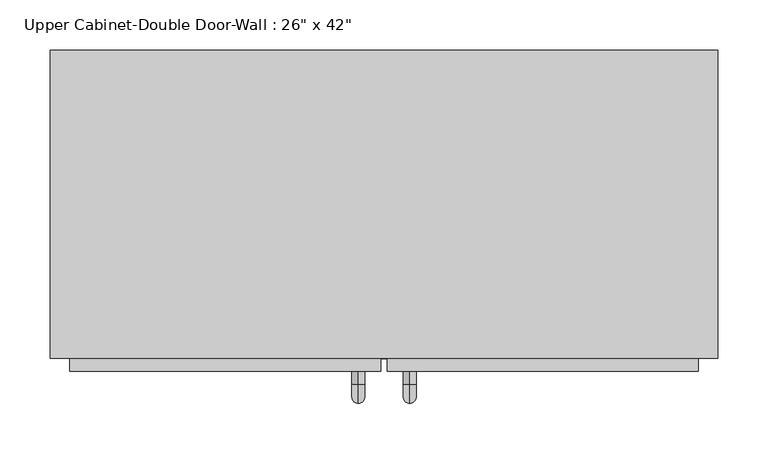
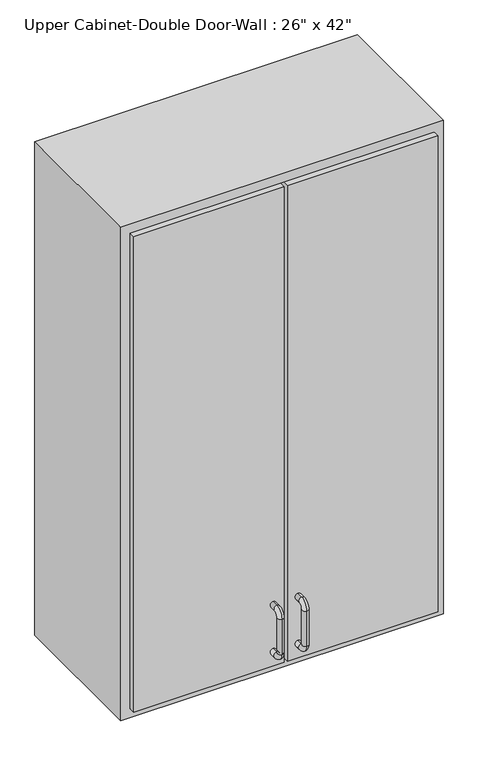
"""IFC4 building model written with IfcOpenShell, lengths in millimetres: furniture geometry."""

from ifc_helpers import new_model, si_unit, point, frame, origin, place, context, project, spatial, polyline, circle_curve, ellipse_curve, trimmed, outline, extrude, faceted_brep, source, transform, mapped, element, save
from ifc_brep_helpers import plane_surface, cylinder_surface, revolved_surface, advanced_brep


def furniture_07874962(model_context):
    return source(origin(), model_context, "Body", "SolidModel", [
        faceted_brep([(-300.4288372, -61.9125, 2133.6), (359.9711628, -61.9125, 2133.6), (359.9711628, -61.9125, 1066.8), (-300.4288372, -61.9125, 1066.8), (-300.4288372, -366.7125, 2133.6), (-300.4288372, -366.7125, 1066.8), (359.9711628, -366.7125, 1066.8), (359.9711628, -366.7125, 2133.6), (-281.3788372, -366.7125, 2114.55), (340.9211628, -366.7125, 2114.55), (340.9211628, -366.7125, 1085.85), (-281.3788372, -366.7125, 1085.85), (-281.3788372, -80.9625, 2114.55), (340.9211628, -80.9625, 2114.55), (340.9211628, -80.9625, 1085.85), (-281.3788372, -80.9625, 1085.85)], [[[0, 1, 2, 3]], [[4, 5, 6, 7], [8, 9, 10, 11]], [[3, 5, 4, 0]], [[2, 6, 5, 3]], [[1, 7, 6, 2]], [[0, 4, 7, 1]], [[8, 12, 13, 9]], [[9, 13, 14, 10]], [[10, 14, 15, 11]], [[11, 15, 12, 8]], [[12, 15, 14, 13]]]),
        advanced_brep(
        [(55.1711628, -379.4125, 1212.85), (55.1711628, -379.4125, 1225.55), (55.1711628, -392.1125, 1225.55), (55.1711628, -392.1125, 1212.85), (55.1711628, -411.1625, 1206.5), (55.1711628, -398.4625, 1206.5), (55.1711628, -411.1625, 1130.3), (55.1711628, -398.4625, 1130.3), (55.1711628, -392.1125, 1111.25), (55.1711628, -392.1125, 1123.95), (55.1711628, -379.4125, 1123.95), (55.1711628, -379.4125, 1111.25)],
        [
            (0, 1, circle_curve(frame((55.1711628, -379.4125, 1219.2), z_axis=(0.0, 1.0, 0.0), x_axis=(0.0, 0.0, -1.0)), 6.35)),
            (1, 0, circle_curve(frame((55.1711628, -379.4125, 1219.2), z_axis=(0.0, 1.0, 0.0), x_axis=(0.0, 0.0, -1.0)), 6.35)),
            (1, 2),
            (2, 3, circle_curve(frame((55.1711628, -392.1125, 1219.2), z_axis=(0.0, 1.0, 0.0), x_axis=(0.0, 0.0, -1.0)), 6.35)),
            (3, 0),
            (3, 2, circle_curve(frame((55.1711628, -392.1125, 1219.2), z_axis=(0.0, 1.0, 0.0), x_axis=(0.0, 0.0, -1.0)), 6.35)),
            (4, 5, circle_curve(frame((55.1711628, -404.8125, 1206.5), z_axis=(0.0, 0.0, 1.0), x_axis=(0.0, 1.0, 0.0)), 6.35)),
            (5, 3, circle_curve(frame((55.1711628, -392.1125, 1206.5), z_axis=(-1.0, 0.0, 0.0), x_axis=(0.0, 0.0, 1.0)), 6.35)),
            (2, 4, circle_curve(frame((55.1711628, -392.1125, 1206.5), z_axis=(1.0, 0.0, 0.0), x_axis=(0.0, 0.0, 1.0)), 19.05)),
            (5, 4, circle_curve(frame((55.1711628, -404.8125, 1206.5), z_axis=(0.0, 0.0, 1.0), x_axis=(0.0, 1.0, 0.0)), 6.35)),
            (4, 6),
            (6, 7, circle_curve(frame((55.1711628, -404.8125, 1130.3), z_axis=(0.0, 0.0, 1.0), x_axis=(0.0, 1.0, 0.0)), 6.35)),
            (7, 5),
            (7, 6, circle_curve(frame((55.1711628, -404.8125, 1130.3), z_axis=(0.0, 0.0, 1.0), x_axis=(0.0, 1.0, 0.0)), 6.35)),
            (8, 9, circle_curve(frame((55.1711628, -392.1125, 1117.6), z_axis=(0.0, -1.0, 0.0), x_axis=(0.0, 0.0, 1.0)), 6.35)),
            (9, 7, circle_curve(frame((55.1711628, -392.1125, 1130.3), z_axis=(-1.0, 0.0, 0.0), x_axis=(0.0, -1.0, 0.0)), 6.35)),
            (6, 8, circle_curve(frame((55.1711628, -392.1125, 1130.3), z_axis=(1.0, 0.0, 0.0), x_axis=(0.0, -1.0, 0.0)), 19.05)),
            (9, 8, circle_curve(frame((55.1711628, -392.1125, 1117.6), z_axis=(0.0, -1.0, 0.0), x_axis=(0.0, 0.0, 1.0)), 6.35)),
            (10, 11, circle_curve(frame((55.1711628, -379.4125, 1117.6), z_axis=(0.0, 1.0, 0.0), x_axis=(0.0, 0.0, 1.0)), 6.35)),
            (11, 10, circle_curve(frame((55.1711628, -379.4125, 1117.6), z_axis=(0.0, 1.0, 0.0), x_axis=(0.0, 0.0, 1.0)), 6.35)),
            (8, 11),
            (10, 9),
        ],
        [
            plane_surface(frame((48.8211628, -379.4125, 1219.2), z_axis=(0.0, 1.0, 0.0), x_axis=(0.0, 0.0, 1.0))),
            cylinder_surface(frame((55.1711628, -379.4125, 1219.2), z_axis=(0.0, 1.0, 0.0), x_axis=(0.0, 0.0, -1.0)), 6.35),
            revolved_surface(trimmed(ellipse_curve(frame((55.1711628, -392.1125, 1219.2), z_axis=(0.0, -1.0, 0.0), x_axis=(0.0, 0.0, -1.0)), 6.35, 6.35), [point((55.1711628, -392.1125, 1212.85))], [point((55.1711628, -392.1125, 1225.55))], True, "CARTESIAN"), (55.1711628, -392.1125, 1206.5), (-1.0, 0.0, 0.0)),
            revolved_surface(trimmed(ellipse_curve(frame((55.1711628, -392.1125, 1219.2), z_axis=(0.0, -1.0, 0.0), x_axis=(0.0, 0.0, -1.0)), 6.35, 6.35), [point((55.1711628, -392.1125, 1225.55))], [point((55.1711628, -392.1125, 1212.85))], True, "CARTESIAN"), (55.1711628, -392.1125, 1206.5), (-1.0, 0.0, 0.0)),
            cylinder_surface(frame((55.1711628, -404.8125, 1206.5), z_axis=(0.0, 0.0, 1.0), x_axis=(0.0, 1.0, 0.0)), 6.35),
            revolved_surface(trimmed(ellipse_curve(frame((55.1711628, -404.8125, 1130.3), z_axis=(0.0, 0.0, -1.0), x_axis=(0.0, 1.0, 0.0)), 6.35, 6.35), [point((55.1711628, -398.4625, 1130.3))], [point((55.1711628, -411.1625, 1130.3))], True, "CARTESIAN"), (55.1711628, -392.1125, 1130.3), (-1.0, 0.0, 0.0)),
            revolved_surface(trimmed(ellipse_curve(frame((55.1711628, -404.8125, 1130.3), z_axis=(0.0, 0.0, -1.0), x_axis=(0.0, 1.0, 0.0)), 6.35, 6.35), [point((55.1711628, -411.1625, 1130.3))], [point((55.1711628, -398.4625, 1130.3))], True, "CARTESIAN"), (55.1711628, -392.1125, 1130.3), (-1.0, 0.0, 0.0)),
            plane_surface(frame((48.8211628, -379.4125, 1117.6), z_axis=(0.0, 1.0, 0.0), x_axis=(0.0, 0.0, -1.0))),
            cylinder_surface(frame((55.1711628, -392.1125, 1117.6), z_axis=(0.0, -1.0, 0.0), x_axis=(0.0, 0.0, 1.0)), 6.35),
        ],
        [
            (0, [[1, 2]]),
            (1, [[3, 4, 5, -2]]),
            (1, [[-5, 6, -3, -1]]),
            (2, [[7, 8, -4, 9]]),
            (3, [[10, -9, -6, -8]]),
            (4, [[11, 12, 13, -7]]),
            (4, [[-13, 14, -11, -10]]),
            (5, [[15, 16, -12, 17]]),
            (6, [[18, -17, -14, -16]]),
            (7, [[19, 20]]),
            (8, [[21, -19, 22, -15]]),
            (8, [[-22, -20, -21, -18]]),
        ],
    ),
        advanced_brep(
        [(4.3711628, -379.4125, 1212.85), (4.3711628, -379.4125, 1225.55), (4.3711628, -392.1125, 1225.55), (4.3711628, -392.1125, 1212.85), (4.3711628, -411.1625, 1206.5), (4.3711628, -398.4625, 1206.5), (4.3711628, -411.1625, 1130.3), (4.3711628, -398.4625, 1130.3), (4.3711628, -392.1125, 1111.25), (4.3711628, -392.1125, 1123.95), (4.3711628, -379.4125, 1123.95), (4.3711628, -379.4125, 1111.25)],
        [
            (0, 1, circle_curve(frame((4.3711628, -379.4125, 1219.2), z_axis=(0.0, 1.0, 0.0), x_axis=(0.0, 0.0, 1.0)), 6.35)),
            (1, 0, circle_curve(frame((4.3711628, -379.4125, 1219.2), z_axis=(0.0, 1.0, 0.0), x_axis=(0.0, 0.0, 1.0)), 6.35)),
            (1, 2),
            (2, 3, circle_curve(frame((4.3711628, -392.1125, 1219.2), z_axis=(0.0, 1.0, 0.0), x_axis=(0.0, 0.0, 1.0)), 6.35)),
            (3, 0),
            (3, 2, circle_curve(frame((4.3711628, -392.1125, 1219.2), z_axis=(0.0, 1.0, 0.0), x_axis=(0.0, 0.0, 1.0)), 6.35)),
            (4, 5, circle_curve(frame((4.3711628, -404.8125, 1206.5), z_axis=(0.0, 0.0, 1.0), x_axis=(0.0, -1.0, 0.0)), 6.35)),
            (5, 3, circle_curve(frame((4.3711628, -392.1125, 1206.5), z_axis=(-1.0, 0.0, 0.0), x_axis=(0.0, 0.0, 1.0)), 6.35)),
            (2, 4, circle_curve(frame((4.3711628, -392.1125, 1206.5), z_axis=(1.0, 0.0, 0.0), x_axis=(0.0, 0.0, 1.0)), 19.05)),
            (5, 4, circle_curve(frame((4.3711628, -404.8125, 1206.5), z_axis=(0.0, 0.0, 1.0), x_axis=(0.0, -1.0, 0.0)), 6.35)),
            (4, 6),
            (6, 7, circle_curve(frame((4.3711628, -404.8125, 1130.3), z_axis=(0.0, 0.0, 1.0), x_axis=(0.0, -1.0, 0.0)), 6.35)),
            (7, 5),
            (7, 6, circle_curve(frame((4.3711628, -404.8125, 1130.3), z_axis=(0.0, 0.0, 1.0), x_axis=(0.0, -1.0, 0.0)), 6.35)),
            (8, 9, circle_curve(frame((4.3711628, -392.1125, 1117.6), z_axis=(0.0, -1.0, 0.0), x_axis=(0.0, 0.0, -1.0)), 6.35)),
            (9, 7, circle_curve(frame((4.3711628, -392.1125, 1130.3), z_axis=(-1.0, 0.0, 0.0), x_axis=(0.0, -1.0, 0.0)), 6.35)),
            (6, 8, circle_curve(frame((4.3711628, -392.1125, 1130.3), z_axis=(1.0, 0.0, 0.0), x_axis=(0.0, -1.0, 0.0)), 19.05)),
            (9, 8, circle_curve(frame((4.3711628, -392.1125, 1117.6), z_axis=(0.0, -1.0, 0.0), x_axis=(0.0, 0.0, -1.0)), 6.35)),
            (10, 11, circle_curve(frame((4.3711628, -379.4125, 1117.6), z_axis=(0.0, 1.0, 0.0), x_axis=(0.0, 0.0, -1.0)), 6.35)),
            (11, 10, circle_curve(frame((4.3711628, -379.4125, 1117.6), z_axis=(0.0, 1.0, 0.0), x_axis=(0.0, 0.0, -1.0)), 6.35)),
            (8, 11),
            (10, 9),
        ],
        [
            plane_surface(frame((-1.9788372, -379.4125, 1219.2), z_axis=(0.0, 1.0, 0.0), x_axis=(0.0, 0.0, 1.0))),
            cylinder_surface(frame((4.3711628, -379.4125, 1219.2), z_axis=(0.0, 1.0, 0.0), x_axis=(0.0, 0.0, 1.0)), 6.35),
            revolved_surface(trimmed(ellipse_curve(frame((4.3711628, -392.1125, 1219.2), z_axis=(0.0, -1.0, 0.0), x_axis=(0.0, 0.0, 1.0)), 6.35, 6.35), [point((4.3711628, -392.1125, 1212.85))], [point((4.3711628, -392.1125, 1225.55))], True, "CARTESIAN"), (4.3711628, -392.1125, 1206.5), (-1.0, 0.0, 0.0)),
            revolved_surface(trimmed(ellipse_curve(frame((4.3711628, -392.1125, 1219.2), z_axis=(0.0, -1.0, 0.0), x_axis=(0.0, 0.0, 1.0)), 6.35, 6.35), [point((4.3711628, -392.1125, 1225.55))], [point((4.3711628, -392.1125, 1212.85))], True, "CARTESIAN"), (4.3711628, -392.1125, 1206.5), (-1.0, 0.0, 0.0)),
            cylinder_surface(frame((4.3711628, -404.8125, 1206.5), z_axis=(0.0, 0.0, 1.0), x_axis=(0.0, -1.0, 0.0)), 6.35),
            revolved_surface(trimmed(ellipse_curve(frame((4.3711628, -404.8125, 1130.3), z_axis=(0.0, 0.0, -1.0), x_axis=(0.0, -1.0, 0.0)), 6.35, 6.35), [point((4.3711628, -398.4625, 1130.3))], [point((4.3711628, -411.1625, 1130.3))], True, "CARTESIAN"), (4.3711628, -392.1125, 1130.3), (-1.0, 0.0, 0.0)),
            revolved_surface(trimmed(ellipse_curve(frame((4.3711628, -404.8125, 1130.3), z_axis=(0.0, 0.0, -1.0), x_axis=(0.0, -1.0, 0.0)), 6.35, 6.35), [point((4.3711628, -411.1625, 1130.3))], [point((4.3711628, -398.4625, 1130.3))], True, "CARTESIAN"), (4.3711628, -392.1125, 1130.3), (-1.0, 0.0, 0.0)),
            plane_surface(frame((-1.9788372, -379.4125, 1117.6), z_axis=(0.0, 1.0, 0.0), x_axis=(0.0, 0.0, -1.0))),
            cylinder_surface(frame((4.3711628, -392.1125, 1117.6), z_axis=(0.0, -1.0, 0.0), x_axis=(0.0, 0.0, -1.0)), 6.35),
        ],
        [
            (0, [[1, 2]]),
            (1, [[3, 4, 5, -2]]),
            (1, [[-5, 6, -3, -1]]),
            (2, [[7, 8, -4, 9]]),
            (3, [[10, -9, -6, -8]]),
            (4, [[11, 12, 13, -7]]),
            (4, [[-13, 14, -11, -10]]),
            (5, [[15, 16, -12, 17]]),
            (6, [[18, -17, -14, -16]]),
            (7, [[19, 20]]),
            (8, [[21, -19, 22, -15]]),
            (8, [[-22, -20, -21, -18]]),
        ],
    ),
        extrude(outline(polyline([(32.9461628, -379.4125), (32.9461628, -347.6625), (340.9211628, -347.6625), (340.9211628, -379.4125), (32.9461628, -379.4125)])), frame((0.0, 0.0, 1085.85), z_axis=(0.0, 0.0, 1.0), x_axis=(1.0, 0.0, 0.0)), (0.0, 0.0, 1.0), 1028.7),
        extrude(outline(polyline([(-281.3788372, -379.4125), (-281.3788372, -347.6625), (26.5961628, -347.6625), (26.5961628, -379.4125), (-281.3788372, -379.4125)])), frame((0.0, 0.0, 1085.85), z_axis=(0.0, 0.0, 1.0), x_axis=(1.0, 0.0, 0.0)), (0.0, 0.0, 1.0), 1028.7),
    ])


if __name__ == "__main__":
    model = new_model("IFC4")
    model_context = context("Model", 3, world=origin())
    ifc_project = project(units=[si_unit("LENGTHUNIT", "METRE", prefix="MILLI")], contexts=[model_context])
    site = spatial("IfcSite", under=ifc_project)
    building = spatial("IfcBuilding", under=site)
    placement = place(None, origin())
    furniture_shape = furniture_07874962(model_context)
    element("IfcFurniture", 1, ObjectType="Upper Cabinet-Double Door-Wall : 26\" x 42\"", at=placement, inside=building, context=model_context, shape_type="MappedRepresentation", body=[
        mapped(furniture_shape, transform((0.0, 0.0, 0.0), x_axis=(1.0, 0.0, 0.0), y_axis=(0.0, 1.0, 0.0), z_axis=(0.0, 0.0, 1.0))),
    ])
    save(model, "model.ifc")
